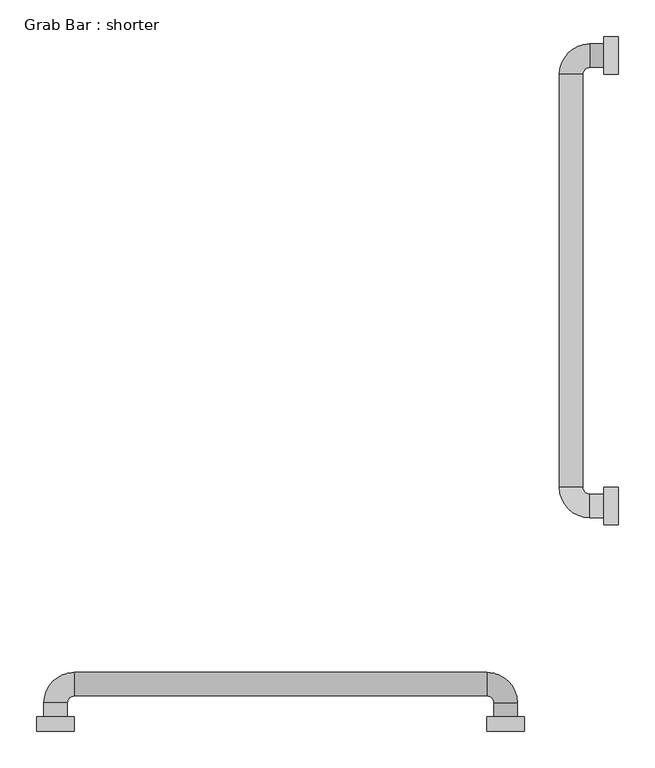
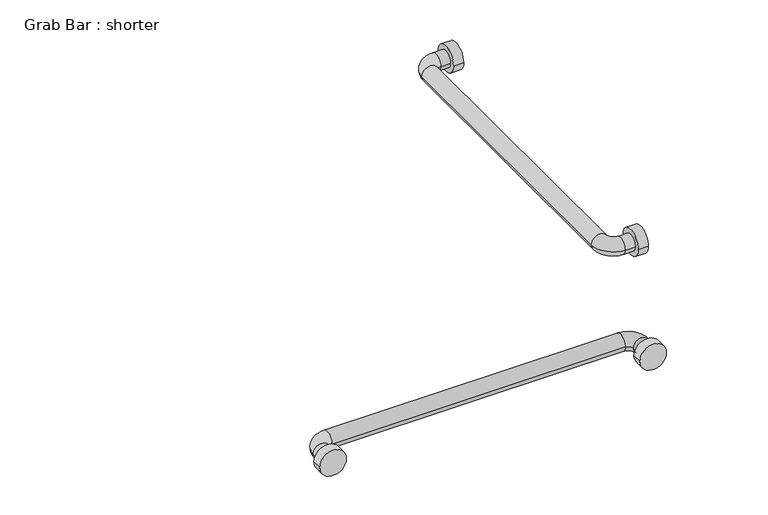
"""IFC4 building model written with IfcOpenShell, lengths in millimetres: proxy geometry, Grab Bar : shorter."""

from ifc_helpers import new_model, si_unit, point, frame, frame_2d, origin, place, context, project, spatial, circle_curve, ellipse_curve, trimmed, segment, composite_curve, outline, extrude, source, transform, mapped, element, save
from ifc_brep_helpers import plane_surface, cylinder_surface, revolved_surface, advanced_brep


def grab_bar_shorter_b16652c0(model_context):
    return source(origin(), model_context, "Body", "SolidModel", [
        extrude(outline(composite_curve([segment(trimmed(circle_curve(frame_2d((304.8, 914.4)), 25.4), [point((279.4, 914.4))], [point((330.2, 914.4))], False, "CARTESIAN"), True, "CONTINUOUS"), segment(trimmed(circle_curve(frame_2d((304.8, 914.4)), 25.4), [point((330.2, 914.4))], [point((279.4, 914.4))], False, "CARTESIAN"), True, "CONTINUOUS")], self_intersect=False)), frame((-19.05, 0.0, 0.0), z_axis=(1.0, 0.0, 0.0), x_axis=(0.0, 1.0, 0.0)), (0.0, 0.0, 1.0), 19.05),
        extrude(outline(composite_curve([segment(trimmed(circle_curve(frame_2d((914.4, 914.4)), 25.4), [point((889.0, 914.4))], [point((939.8, 914.4))], False, "CARTESIAN"), True, "CONTINUOUS"), segment(trimmed(circle_curve(frame_2d((914.4, 914.4)), 25.4), [point((939.8, 914.4))], [point((889.0, 914.4))], False, "CARTESIAN"), True, "CONTINUOUS")], self_intersect=False)), frame((-19.05, 0.0, 0.0), z_axis=(1.0, 0.0, 0.0), x_axis=(0.0, 1.0, 0.0)), (0.0, 0.0, 1.0), 19.05),
        extrude(outline(composite_curve([segment(trimmed(circle_curve(frame_2d((914.4, -152.4)), 25.4), [point((914.4, -177.8))], [point((914.4, -127.0))], False, "CARTESIAN"), True, "CONTINUOUS"), segment(trimmed(circle_curve(frame_2d((914.4, -152.4)), 25.4), [point((914.4, -127.0))], [point((914.4, -177.8))], False, "CARTESIAN"), True, "CONTINUOUS")], self_intersect=False)), frame((0.0, 0.0, 0.0), z_axis=(0.0, 1.0, 0.0), x_axis=(0.0, 0.0, 1.0)), (0.0, 0.0, 1.0), 19.05),
        extrude(outline(composite_curve([segment(trimmed(circle_curve(frame_2d((914.4, -762.0)), 25.4), [point((914.4, -787.4))], [point((914.4, -736.6))], False, "CARTESIAN"), True, "CONTINUOUS"), segment(trimmed(circle_curve(frame_2d((914.4, -762.0)), 25.4), [point((914.4, -736.6))], [point((914.4, -787.4))], False, "CARTESIAN"), True, "CONTINUOUS")], self_intersect=False)), frame((0.0, 0.0, 0.0), z_axis=(0.0, 1.0, 0.0), x_axis=(0.0, 0.0, 1.0)), (0.0, 0.0, 1.0), 19.05),
        advanced_brep(
        [(-19.05, 320.675, 914.4), (-19.05, 288.925, 914.4), (-38.1, 320.675, 914.4), (-38.1, 288.925, 914.4), (-79.375, 330.2, 914.4), (-47.625, 330.2, 914.4), (-47.625, 889.0, 914.4), (-79.375, 889.0, 914.4), (-38.1, 930.275, 914.4), (-38.1, 898.525, 914.4), (-19.05, 898.525, 914.4), (-19.05, 930.275, 914.4)],
        [
            (0, 1, circle_curve(frame((-19.05, 304.8, 914.4), z_axis=(1.0, 0.0, 0.0), x_axis=(0.0, -1.0, 0.0)), 15.875)),
            (1, 0, circle_curve(frame((-19.05, 304.8, 914.4), z_axis=(1.0, 0.0, 0.0), x_axis=(0.0, -1.0, 0.0)), 15.875)),
            (0, 2),
            (2, 3, circle_curve(frame((-38.1, 304.8, 914.4), z_axis=(1.0, 0.0, 0.0), x_axis=(0.0, -1.0, 0.0)), 15.875)),
            (3, 1),
            (3, 2, circle_curve(frame((-38.1, 304.8, 914.4), z_axis=(1.0, 0.0, 0.0), x_axis=(0.0, -1.0, 0.0)), 15.875)),
            (4, 3, circle_curve(frame((-38.1, 330.2, 914.4), z_axis=(0.0, 0.0, 1.0), x_axis=(0.0, -1.0, 0.0)), 41.275)),
            (2, 5, circle_curve(frame((-38.1, 330.2, 914.4), z_axis=(0.0, 0.0, -1.0), x_axis=(0.0, -1.0, 0.0)), 9.525)),
            (5, 4, circle_curve(frame((-63.5, 330.2, 914.4), z_axis=(0.0, -1.0, 0.0), x_axis=(-1.0, 0.0, 0.0)), 15.875)),
            (4, 5, circle_curve(frame((-63.5, 330.2, 914.4), z_axis=(0.0, -1.0, 0.0), x_axis=(-1.0, 0.0, 0.0)), 15.875)),
            (5, 6),
            (6, 7, circle_curve(frame((-63.5, 889.0, 914.4), z_axis=(0.0, -1.0, 0.0), x_axis=(-1.0, 0.0, 0.0)), 15.875)),
            (7, 4),
            (7, 6, circle_curve(frame((-63.5, 889.0, 914.4), z_axis=(0.0, -1.0, 0.0), x_axis=(-1.0, 0.0, 0.0)), 15.875)),
            (8, 7, circle_curve(frame((-38.1, 889.0, 914.4), z_axis=(0.0, 0.0, 1.0), x_axis=(-1.0, 0.0, 0.0)), 41.275)),
            (6, 9, circle_curve(frame((-38.1, 889.0, 914.4), z_axis=(0.0, 0.0, -1.0), x_axis=(-1.0, 0.0, 0.0)), 9.525)),
            (9, 8, circle_curve(frame((-38.1, 914.4, 914.4), z_axis=(-1.0, 0.0, 0.0), x_axis=(0.0, 1.0, 0.0)), 15.875)),
            (8, 9, circle_curve(frame((-38.1, 914.4, 914.4), z_axis=(-1.0, 0.0, 0.0), x_axis=(0.0, 1.0, 0.0)), 15.875)),
            (10, 11, circle_curve(frame((-19.05, 914.4, 914.4), z_axis=(1.0, 0.0, 0.0), x_axis=(0.0, 1.0, 0.0)), 15.875)),
            (11, 10, circle_curve(frame((-19.05, 914.4, 914.4), z_axis=(1.0, 0.0, 0.0), x_axis=(0.0, 1.0, 0.0)), 15.875)),
            (9, 10),
            (11, 8),
        ],
        [
            plane_surface(frame((-19.05, 304.8, -930.275), z_axis=(1.0, 0.0, 0.0), x_axis=(0.0, -1.0, 0.0))),
            cylinder_surface(frame((-19.05, 304.8, 914.4), z_axis=(1.0, 0.0, 0.0), x_axis=(0.0, -1.0, 0.0)), 15.875),
            revolved_surface(trimmed(ellipse_curve(frame((-38.1, 304.8, 914.4), z_axis=(1.0, 0.0, 0.0), x_axis=(0.0, -1.0, 0.0)), 15.875, 15.875), [point((-38.1, 320.675, 914.4))], [point((-38.1, 288.925, 914.4))], True, "CARTESIAN"), (-38.1, 330.2, 0.0), (0.0, 0.0, -1.0)),
            revolved_surface(trimmed(ellipse_curve(frame((-38.1, 304.8, 914.4), z_axis=(1.0, 0.0, 0.0), x_axis=(0.0, -1.0, 0.0)), 15.875, 15.875), [point((-38.1, 288.925, 914.4))], [point((-38.1, 320.675, 914.4))], True, "CARTESIAN"), (-38.1, 330.2, 0.0), (0.0, 0.0, -1.0)),
            cylinder_surface(frame((-63.5, 330.2, 914.4), z_axis=(0.0, -1.0, 0.0), x_axis=(-1.0, 0.0, 0.0)), 15.875),
            revolved_surface(trimmed(ellipse_curve(frame((-63.5, 889.0, 914.4), z_axis=(0.0, -1.0, 0.0), x_axis=(-1.0, 0.0, 0.0)), 15.875, 15.875), [point((-47.625, 889.0, 914.4))], [point((-79.375, 889.0, 914.4))], True, "CARTESIAN"), (-38.1, 889.0, 0.0), (0.0, 0.0, -1.0)),
            revolved_surface(trimmed(ellipse_curve(frame((-63.5, 889.0, 914.4), z_axis=(0.0, -1.0, 0.0), x_axis=(-1.0, 0.0, 0.0)), 15.875, 15.875), [point((-79.375, 889.0, 914.4))], [point((-47.625, 889.0, 914.4))], True, "CARTESIAN"), (-38.1, 889.0, 0.0), (0.0, 0.0, -1.0)),
            plane_surface(frame((-19.05, 914.4, -930.275), z_axis=(1.0, 0.0, 0.0), x_axis=(0.0, 1.0, 0.0))),
            cylinder_surface(frame((-38.1, 914.4, 914.4), z_axis=(-1.0, 0.0, 0.0), x_axis=(0.0, 1.0, 0.0)), 15.875),
        ],
        [
            (0, [[1, 2]]),
            (1, [[-1, 3, 4, 5]]),
            (1, [[-2, -5, 6, -3]]),
            (2, [[7, -4, 8, 9]]),
            (3, [[-8, -6, -7, 10]]),
            (4, [[-9, 11, 12, 13]]),
            (4, [[-10, -13, 14, -11]]),
            (5, [[15, -12, 16, 17]]),
            (6, [[-16, -14, -15, 18]]),
            (7, [[19, 20]]),
            (8, [[-17, 21, -20, 22]]),
            (8, [[-18, -22, -19, -21]]),
        ],
    ),
        advanced_brep(
        [(-746.125, 19.05, 914.4), (-777.875, 19.05, 914.4), (-746.125, 38.1, 914.4), (-777.875, 38.1, 914.4), (-736.6, 79.375, 914.4), (-736.6, 47.625, 914.4), (-177.8, 47.625, 914.4), (-177.8, 79.375, 914.4), (-136.525, 38.1, 914.4), (-168.275, 38.1, 914.4), (-168.275, 19.05, 914.4), (-136.525, 19.05, 914.4)],
        [
            (0, 1, circle_curve(frame((-762.0, 19.05, 914.4), z_axis=(0.0, -1.0, 0.0), x_axis=(-1.0, 0.0, 0.0)), 15.875)),
            (1, 0, circle_curve(frame((-762.0, 19.05, 914.4), z_axis=(0.0, -1.0, 0.0), x_axis=(-1.0, 0.0, 0.0)), 15.875)),
            (0, 2),
            (2, 3, circle_curve(frame((-762.0, 38.1, 914.4), z_axis=(0.0, -1.0, 0.0), x_axis=(-1.0, 0.0, 0.0)), 15.875)),
            (3, 1),
            (3, 2, circle_curve(frame((-762.0, 38.1, 914.4), z_axis=(0.0, -1.0, 0.0), x_axis=(-1.0, 0.0, 0.0)), 15.875)),
            (4, 3, circle_curve(frame((-736.6, 38.1, 914.4), z_axis=(0.0, 0.0, 1.0), x_axis=(-1.0, 0.0, 0.0)), 41.275)),
            (2, 5, circle_curve(frame((-736.6, 38.1, 914.4), z_axis=(0.0, 0.0, -1.0), x_axis=(-1.0, 0.0, 0.0)), 9.525)),
            (5, 4, circle_curve(frame((-736.6, 63.5, 914.4), z_axis=(-1.0, 0.0, 0.0), x_axis=(0.0, 1.0, 0.0)), 15.875)),
            (4, 5, circle_curve(frame((-736.6, 63.5, 914.4), z_axis=(-1.0, 0.0, 0.0), x_axis=(0.0, 1.0, 0.0)), 15.875)),
            (5, 6),
            (6, 7, circle_curve(frame((-177.8, 63.5, 914.4), z_axis=(-1.0, 0.0, 0.0), x_axis=(0.0, 1.0, 0.0)), 15.875)),
            (7, 4),
            (7, 6, circle_curve(frame((-177.8, 63.5, 914.4), z_axis=(-1.0, 0.0, 0.0), x_axis=(0.0, 1.0, 0.0)), 15.875)),
            (8, 7, circle_curve(frame((-177.8, 38.1, 914.4), z_axis=(0.0, 0.0, 1.0), x_axis=(0.0, 1.0, 0.0)), 41.275)),
            (6, 9, circle_curve(frame((-177.8, 38.1, 914.4), z_axis=(0.0, 0.0, -1.0), x_axis=(0.0, 1.0, 0.0)), 9.525)),
            (9, 8, circle_curve(frame((-152.4, 38.1, 914.4), z_axis=(0.0, 1.0, 0.0), x_axis=(1.0, 0.0, 0.0)), 15.875)),
            (8, 9, circle_curve(frame((-152.4, 38.1, 914.4), z_axis=(0.0, 1.0, 0.0), x_axis=(1.0, 0.0, 0.0)), 15.875)),
            (10, 11, circle_curve(frame((-152.4, 19.05, 914.4), z_axis=(0.0, -1.0, 0.0), x_axis=(1.0, 0.0, 0.0)), 15.875)),
            (11, 10, circle_curve(frame((-152.4, 19.05, 914.4), z_axis=(0.0, -1.0, 0.0), x_axis=(1.0, 0.0, 0.0)), 15.875)),
            (9, 10),
            (11, 8),
        ],
        [
            plane_surface(frame((-1692.275, 19.05, 0.0), z_axis=(0.0, -1.0, 0.0), x_axis=(0.0, 0.0, 1.0))),
            cylinder_surface(frame((-762.0, 19.05, 914.4), z_axis=(0.0, -1.0, 0.0), x_axis=(-1.0, 0.0, 0.0)), 15.875),
            revolved_surface(trimmed(ellipse_curve(frame((-762.0, 38.1, 914.4), z_axis=(0.0, -1.0, 0.0), x_axis=(-1.0, 0.0, 0.0)), 15.875, 15.875), [point((-746.125, 38.1, 914.4))], [point((-777.875, 38.1, 914.4))], True, "CARTESIAN"), (-736.6, 38.1, 0.0), (0.0, 0.0, -1.0)),
            revolved_surface(trimmed(ellipse_curve(frame((-762.0, 38.1, 914.4), z_axis=(0.0, -1.0, 0.0), x_axis=(-1.0, 0.0, 0.0)), 15.875, 15.875), [point((-777.875, 38.1, 914.4))], [point((-746.125, 38.1, 914.4))], True, "CARTESIAN"), (-736.6, 38.1, 0.0), (0.0, 0.0, -1.0)),
            cylinder_surface(frame((-736.6, 63.5, 914.4), z_axis=(-1.0, 0.0, 0.0), x_axis=(0.0, 1.0, 0.0)), 15.875),
            revolved_surface(trimmed(ellipse_curve(frame((-177.8, 63.5, 914.4), z_axis=(-1.0, 0.0, 0.0), x_axis=(0.0, 1.0, 0.0)), 15.875, 15.875), [point((-177.8, 47.625, 914.4))], [point((-177.8, 79.375, 914.4))], True, "CARTESIAN"), (-177.8, 38.1, 0.0), (0.0, 0.0, -1.0)),
            revolved_surface(trimmed(ellipse_curve(frame((-177.8, 63.5, 914.4), z_axis=(-1.0, 0.0, 0.0), x_axis=(0.0, 1.0, 0.0)), 15.875, 15.875), [point((-177.8, 79.375, 914.4))], [point((-177.8, 47.625, 914.4))], True, "CARTESIAN"), (-177.8, 38.1, 0.0), (0.0, 0.0, -1.0)),
            plane_surface(frame((-1082.675, 19.05, 0.0), z_axis=(0.0, -1.0, 0.0), x_axis=(0.0, 0.0, -1.0))),
            cylinder_surface(frame((-152.4, 38.1, 914.4), z_axis=(0.0, 1.0, 0.0), x_axis=(1.0, 0.0, 0.0)), 15.875),
        ],
        [
            (0, [[1, 2]]),
            (1, [[-1, 3, 4, 5]]),
            (1, [[-2, -5, 6, -3]]),
            (2, [[7, -4, 8, 9]]),
            (3, [[-8, -6, -7, 10]]),
            (4, [[-9, 11, 12, 13]]),
            (4, [[-10, -13, 14, -11]]),
            (5, [[15, -12, 16, 17]]),
            (6, [[-16, -14, -15, 18]]),
            (7, [[19, 20]]),
            (8, [[-17, 21, -20, 22]]),
            (8, [[-18, -22, -19, -21]]),
        ],
    ),
    ])


if __name__ == "__main__":
    model = new_model("IFC4")
    model_context = context("Model", 3, world=origin())
    ifc_project = project(units=[si_unit("LENGTHUNIT", "METRE", prefix="MILLI")], contexts=[model_context])
    site = spatial("IfcSite", under=ifc_project)
    building = spatial("IfcBuilding", under=site)
    placement = place(None, origin())
    grab_bar_shorter_shape = grab_bar_shorter_b16652c0(model_context)
    element("IfcBuildingElementProxy", 1, Name="Grab Bar : shorter", ObjectType="Grab Bar : shorter", at=placement, inside=building, context=model_context, shape_type="MappedRepresentation", body=[
        mapped(grab_bar_shorter_shape, transform((0.0, 0.0, 0.0), x_axis=(1.0, 0.0, 0.0), y_axis=(0.0, 1.0, 0.0), z_axis=(0.0, 0.0, 1.0))),
    ])
    save(model, "model.ifc")
